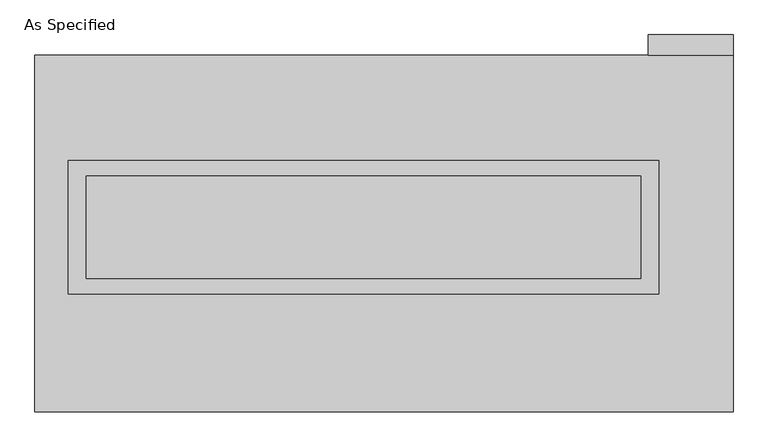
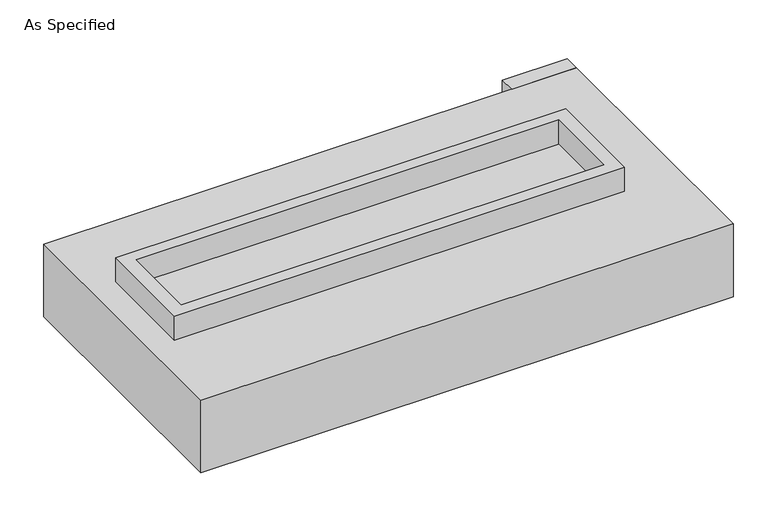
"""IFC4 building model written with IfcOpenShell, lengths in millimetres: proxy geometry, As Specified."""

from ifc_helpers import new_model, si_unit, frame, origin, place, context, project, spatial, polyline, outline, extrude, faceted_brep, source, transform, mapped, element, save


def as_specified_ee29fce5(model_context):
    return source(origin(), model_context, "Body", "SolidModel", [
        extrude(outline(polyline([(1460.5, 361.95), (1460.5, -298.45), (-1460.5, -298.45), (-1460.5, 361.95), (1460.5, 361.95)]), holes=[polyline([(1371.6, 285.75), (-1371.6, 285.75), (-1371.6, -222.25), (1371.6, -222.25), (1371.6, 285.75)])]), frame((0.0, 0.0, -25.4), z_axis=(0.0, 0.0, 1.0), x_axis=(1.0, 0.0, 0.0)), (0.0, 0.0, 1.0), 165.1),
        extrude(outline(polyline([(1409.7, 882.65), (1409.7, 984.25), (1828.8, 984.25), (1828.8, 882.65), (1409.7, 882.65)])), frame((0.0, 0.0, -523.875), z_axis=(0.0, 0.0, 1.0), x_axis=(1.0, 0.0, 0.0)), (0.0, 0.0, 1.0), 498.475),
        extrude(outline(polyline([(1371.6, 285.75), (1371.6, -222.25), (-1371.6, -222.25), (-1371.6, 285.75), (1371.6, 285.75)])), frame((0.0, 0.0, -30.3609375), z_axis=(0.0, 0.0, 1.0), x_axis=(1.0, 0.0, 0.0)), (0.0, 0.0, 1.0), 4.9609375),
        faceted_brep([(1828.8, -882.65, -523.875), (-1625.6, -882.65, -523.875), (-1625.6, 882.65, -523.875), (1828.8, 882.65, -523.875), (1828.8, 882.65, -25.4), (-1625.6, 882.65, -25.4), (-1625.6, -882.65, -25.4), (1828.8, -882.65, -25.4), (1460.5, 361.95, -25.4), (1460.5, -298.45, -25.4), (-1460.5, -298.45, -25.4), (-1460.5, 361.95, -25.4), (1460.5, 361.95, -498.475), (-1460.5, 361.95, -498.475), (-1460.5, -298.45, -498.475), (1460.5, -298.45, -498.475)], [[[0, 1, 2, 3]], [[4, 5, 6, 7], [8, 9, 10, 11]], [[3, 2, 5, 4]], [[2, 1, 6, 5]], [[0, 3, 4, 7]], [[12, 13, 14, 15]], [[14, 13, 11, 10]], [[13, 12, 8, 11]], [[12, 15, 9, 8]], [[10, 9, 15, 14]], [[1, 0, 7, 6]]]),
    ])


if __name__ == "__main__":
    model = new_model("IFC4")
    model_context = context("Model", 3, world=origin())
    ifc_project = project(units=[si_unit("LENGTHUNIT", "METRE", prefix="MILLI")], contexts=[model_context])
    site = spatial("IfcSite", under=ifc_project)
    building = spatial("IfcBuilding", under=site)
    placement = place(None, origin())
    as_specified_shape = as_specified_ee29fce5(model_context)
    element("IfcBuildingElementProxy", 1, Name="As Specified", ObjectType="As Specified", at=placement, inside=building, context=model_context, shape_type="MappedRepresentation", body=[
        mapped(as_specified_shape, transform((0.0, 0.0, 0.0), x_axis=(1.0, 0.0, 0.0), y_axis=(0.0, 1.0, 0.0), z_axis=(0.0, 0.0, 1.0))),
    ])
    save(model, "model.ifc")
